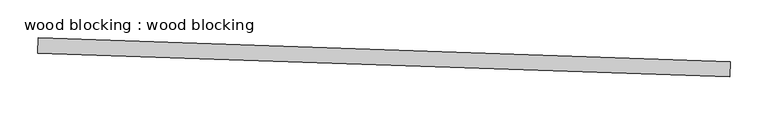
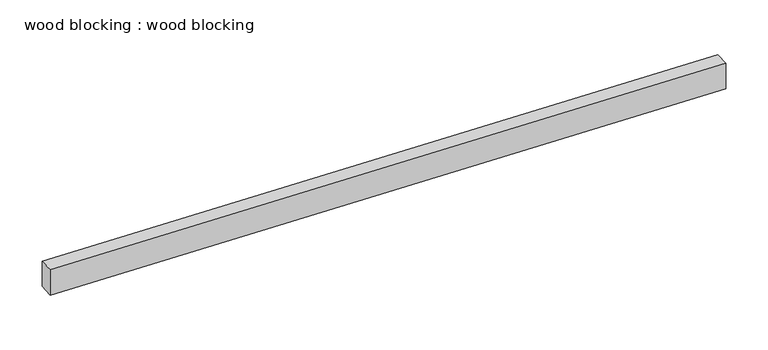
"""IFC4 building model written with IfcOpenShell, lengths in millimetres: proxy geometry, wood blocking : wood blocking."""

from ifc_helpers import new_model, si_unit, origin, origin_with_axes, place, context, project, spatial, polyline, outline, extrude, source, transform, mapped, element, save


def wood_blocking_wood_blocking_dd283993(model_context):
    return source(origin(), model_context, "Body", "SweptSolid", [
        extrude(outline(polyline([(34362.528749, -15238.0689215), (34361.8369769, -15258.283288), (33447.9719486, -15227.0091781), (33448.6637207, -15206.7948115), (34362.528749, -15238.0689215)])), origin_with_axes(), (0.0, 0.0, 1.0), 36.8812208),
    ])


if __name__ == "__main__":
    model = new_model("IFC4")
    model_context = context("Model", 3, world=origin())
    ifc_project = project(units=[si_unit("LENGTHUNIT", "METRE", prefix="MILLI")], contexts=[model_context])
    site = spatial("IfcSite", under=ifc_project)
    building = spatial("IfcBuilding", under=site)
    placement = place(None, origin())
    wood_blocking_wood_blocking_shape = wood_blocking_wood_blocking_dd283993(model_context)
    element("IfcBuildingElementProxy", 1, Name="wood blocking : wood blocking", ObjectType="wood blocking : wood blocking", at=placement, inside=building, context=model_context, shape_type="MappedRepresentation", body=[
        mapped(wood_blocking_wood_blocking_shape, transform((0.0, 0.0, 0.0), x_axis=(1.0, 0.0, 0.0), y_axis=(0.0, 1.0, 0.0), z_axis=(0.0, 0.0, 1.0))),
    ])
    save(model, "model.ifc")
